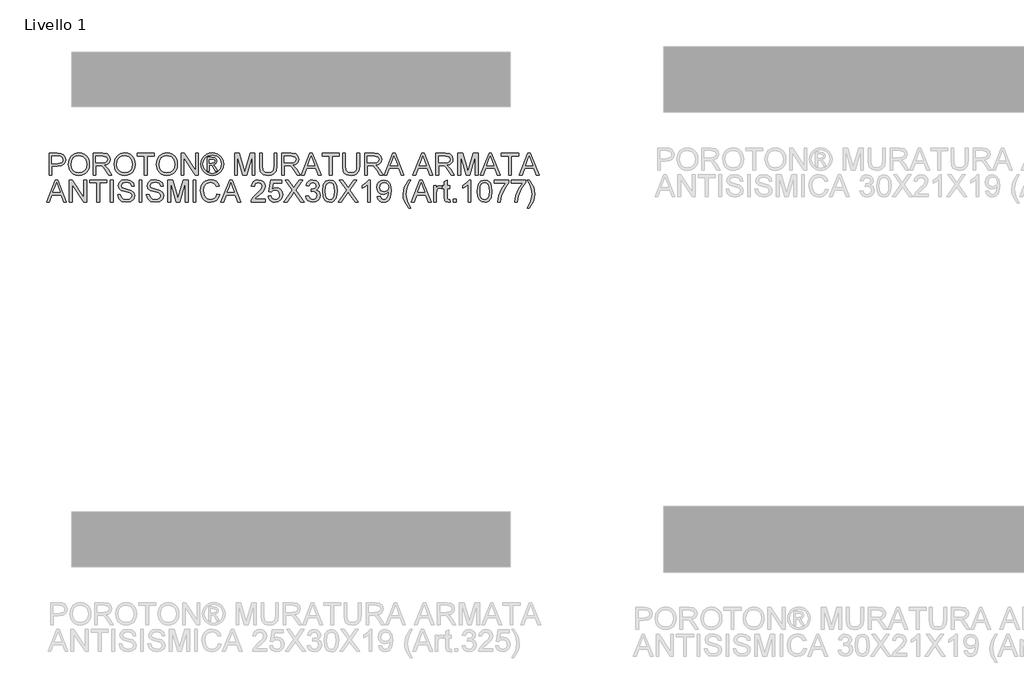
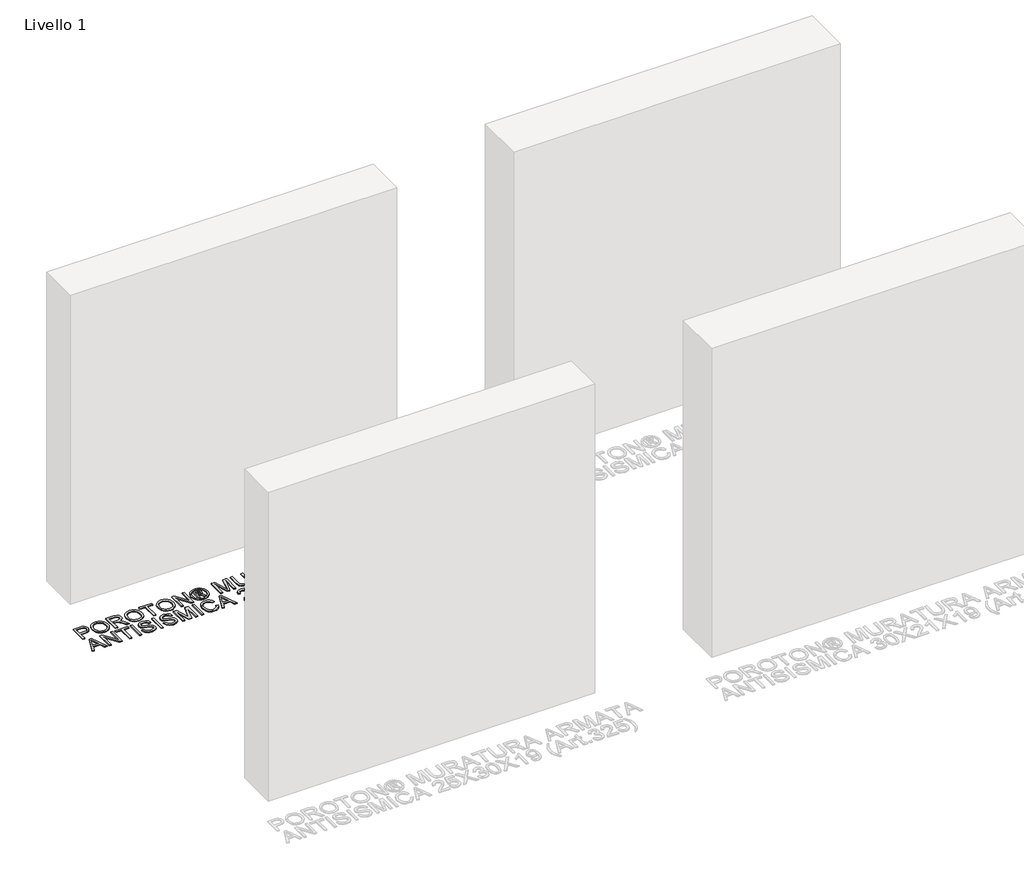
# One storey, part 7 of 8: 1 proxy.
"""IFC4 building model written with IfcOpenShell, lengths in millimetres."""

from ifc_helpers import new_model, si_unit, origin, origin_with_axes, place, context, project, spatial, polyline, outline, extrude, element, save

model = new_model("IFC4")

# Units and contexts
model_context = context("Model", 3, world=origin())
ifc_project = project(units=[si_unit("LENGTHUNIT", "METRE", prefix="MILLI")], contexts=[model_context])

# Site, building, storey
site = spatial("IfcSite", under=ifc_project)
building = spatial("IfcBuilding", under=site)
storey = spatial("IfcBuildingStorey", under=building, Name="Livello 1", Elevation=0.0)

# Proxy
placement = place(None, origin())
element("IfcBuildingElementProxy", 1, Name="100", ObjectType="100", at=placement, inside=storey, context=model_context, shape_type="SweptSolid", body=[
    extrude(outline(polyline([(-7372.1850605, 1154.1316665), (-7372.1850605, 1254.5879766), (-7334.9554026, 1254.5879766), (-7319.9458172, 1253.6314834), (-7307.7443977, 1248.9348566), (-7299.8349348, 1239.222772), (-7296.8428279, 1225.525299), (-7298.8631132, 1213.6856301), (-7304.9239691, 1203.8202613), (-7316.2578002, 1197.1615972), (-7334.0970113, 1194.9420425), (-7359.6280218, 1194.9420425), (-7359.6280218, 1154.1316665), (-7372.1850605, 1154.1316665)]), holes=[polyline([(-7359.6280218, 1207.4990813), (-7333.3612473, 1207.4990813), (-7314.8690457, 1212.1098689), (-7310.7671614, 1217.6587557), (-7309.3998667, 1225.0838406), (-7312.6249655, 1235.4826384), (-7321.0985141, 1241.1725465), (-7333.6555529, 1242.0309379), (-7359.6280218, 1242.0309379), (-7359.6280218, 1207.4990813)])]), origin_with_axes(), (0.0, 0.0, 1.0), 5.0),
    extrude(outline(polyline([(-7284.2857892, 1203.0354464), (-7280.938063, 1225.2493875), (-7270.8948845, 1242.0554633), (-7255.5603367, 1252.6320707), (-7236.3385025, 1256.1576065), (-7223.1621957, 1254.5021375), (-7211.3470522, 1249.5357306), (-7201.5368657, 1241.6078736), (-7194.3754295, 1231.0680544), (-7189.9976338, 1218.4251765), (-7188.5383685, 1204.1881433), (-7190.0742759, 1189.7610377), (-7194.6819979, 1176.9403502), (-7202.1070828, 1166.3821369), (-7212.095079, 1158.7424542), (-7223.8090548, 1154.107141), (-7236.4120789, 1152.5620366), (-7249.7907207, 1154.2696222), (-7261.6733092, 1159.392379), (-7271.4589703, 1167.4673888), (-7278.54683, 1178.0317334), (-7284.2857892, 1203.0354464)]), holes=[polyline([(-7271.7287504, 1202.912819), (-7269.2179558, 1187.1981265), (-7261.6855719, 1175.2235675), (-7250.3640035, 1167.6451984), (-7236.4856553, 1165.1190754), (-7222.4049719, 1167.6697239), (-7211.0650094, 1175.3216694), (-7203.5878078, 1187.6641103), (-7201.0954073, 1204.2862452), (-7205.3628385, 1225.0102642), (-7217.8340381, 1238.7322626), (-7236.2649261, 1243.6005677), (-7249.7723266, 1241.25532), (-7261.2563763, 1234.2195768), (-7269.1106569, 1221.7023919), (-7271.7287504, 1202.912819)])]), origin_with_axes(), (0.0, 0.0, 1.0), 5.0),
    extrude(outline(polyline([(-7171.2724402, 1154.1316665), (-7171.2724402, 1254.5879766), (-7127.9849921, 1254.5879766), (-7107.8863725, 1251.8779126), (-7096.8989635, 1242.2884553), (-7092.7909479, 1227.0949289), (-7094.4924022, 1217.1989032), (-7099.5967648, 1208.9951347), (-7108.2573202, 1202.9802641), (-7120.6273522, 1199.650932), (-7113.4904415, 1194.2798549), (-7103.312373, 1181.3549341), (-7086.5614795, 1154.1316665), (-7101.154132, 1154.1316665), (-7114.2262055, 1174.9537874), (-7123.6685101, 1188.7370995), (-7130.3026487, 1195.2486108), (-7136.2745998, 1197.6398438), (-7143.5586633, 1198.0813022), (-7158.7154015, 1198.0813022), (-7158.7154015, 1154.1316665), (-7171.2724402, 1154.1316665)]), holes=[polyline([(-7158.7154015, 1210.6383409), (-7130.609217, 1210.6383409), (-7116.274082, 1212.4164373), (-7108.1316271, 1218.1063454), (-7105.3479867, 1226.628945), (-7110.6577502, 1237.6899303), (-7127.4454319, 1242.0309379), (-7158.7154015, 1242.0309379), (-7158.7154015, 1210.6383409)])]), origin_with_axes(), (0.0, 0.0, 1.0), 5.0),
    extrude(outline(polyline([(-7075.5250196, 1203.0354464), (-7072.1772935, 1225.2493875), (-7062.134115, 1242.0554633), (-7046.7995672, 1252.6320707), (-7027.5777329, 1256.1576065), (-7014.4014261, 1254.5021375), (-7002.5862827, 1249.5357306), (-6992.7760962, 1241.6078736), (-6985.61466, 1231.0680544), (-6981.2368643, 1218.4251765), (-6979.777599, 1204.1881433), (-6981.3135063, 1189.7610377), (-6985.9212283, 1176.9403502), (-6993.3463133, 1166.3821369), (-7003.3343094, 1158.7424542), (-7015.0482853, 1154.107141), (-7027.6513093, 1152.5620366), (-7041.0299512, 1154.2696222), (-7052.9125397, 1159.392379), (-7062.6982007, 1167.4673888), (-7069.7860605, 1178.0317334), (-7075.5250196, 1203.0354464)]), holes=[polyline([(-7062.9679809, 1202.912819), (-7060.4571862, 1187.1981265), (-7052.9248024, 1175.2235675), (-7041.603234, 1167.6451984), (-7027.7248857, 1165.1190754), (-7013.6442024, 1167.6697239), (-7002.3042399, 1175.3216694), (-6994.8270383, 1187.6641103), (-6992.3346378, 1204.2862452), (-6996.6020689, 1225.0102642), (-7009.0732686, 1238.7322626), (-7027.5041565, 1243.6005677), (-7041.0115571, 1241.25532), (-7052.4956067, 1234.2195768), (-7060.3498873, 1221.7023919), (-7062.9679809, 1202.912819)])]), origin_with_axes(), (0.0, 0.0, 1.0), 5.0),
    extrude(outline(polyline([(-6937.3975932, 1154.1316665), (-6937.3975932, 1242.0309379), (-6970.3598199, 1242.0309379), (-6970.3598199, 1254.5879766), (-6891.8783276, 1254.5879766), (-6891.8783276, 1242.0309379), (-6924.8405544, 1242.0309379), (-6924.8405544, 1154.1316665), (-6937.3975932, 1154.1316665)])), origin_with_axes(), (0.0, 0.0, 1.0), 5.0),
    extrude(outline(polyline([(-6882.4605486, 1203.0354464), (-6879.1128224, 1225.2493875), (-6869.0696439, 1242.0554633), (-6853.7350961, 1252.6320707), (-6834.5132619, 1256.1576065), (-6821.3369551, 1254.5021375), (-6809.5218117, 1249.5357306), (-6799.7116251, 1241.6078736), (-6792.5501889, 1231.0680544), (-6788.1723932, 1218.4251765), (-6786.7131279, 1204.1881433), (-6788.2490353, 1189.7610377), (-6792.8567573, 1176.9403502), (-6800.2818422, 1166.3821369), (-6810.2698384, 1158.7424542), (-6821.9838142, 1154.107141), (-6834.5868383, 1152.5620366), (-6847.9654801, 1154.2696222), (-6859.8480686, 1159.392379), (-6869.6337297, 1167.4673888), (-6876.7215894, 1178.0317334), (-6882.4605486, 1203.0354464)]), holes=[polyline([(-6869.9035098, 1202.912819), (-6867.3927152, 1187.1981265), (-6859.8603313, 1175.2235675), (-6848.5387629, 1167.6451984), (-6834.6604147, 1165.1190754), (-6820.5797313, 1167.6697239), (-6809.2397688, 1175.3216694), (-6801.7625672, 1187.6641103), (-6799.2701667, 1204.2862452), (-6803.5375979, 1225.0102642), (-6816.0087975, 1238.7322626), (-6834.4396855, 1243.6005677), (-6847.947086, 1241.25532), (-6859.4311357, 1234.2195768), (-6867.2854163, 1221.7023919), (-6869.9035098, 1202.912819)])]), origin_with_axes(), (0.0, 0.0, 1.0), 5.0),
    extrude(outline(polyline([(-6769.4471996, 1154.1316665), (-6769.4471996, 1254.5879766), (-6756.0072441, 1254.5879766), (-6703.5227461, 1175.0028383), (-6703.5227461, 1254.5879766), (-6690.9657073, 1254.5879766), (-6690.9657073, 1154.1316665), (-6704.4056629, 1154.1316665), (-6756.8901609, 1233.7413302), (-6756.8901609, 1154.1316665), (-6769.4471996, 1154.1316665)])), origin_with_axes(), (0.0, 0.0, 1.0), 5.0),
    extrude(outline(polyline([(-6628.155988, 1256.1576065), (-6615.2617241, 1254.4837434), (-6602.6740285, 1249.4621542), (-6591.6161089, 1241.3258307), (-6583.3111728, 1230.307765), (-6578.1148396, 1217.5851793), (-6576.3827286, 1204.3352961), (-6578.0903142, 1191.2019089), (-6583.213071, 1178.5835564), (-6591.4168394, 1167.6053446), (-6602.3674602, 1159.392379), (-6614.9766156, 1154.2696222), (-6628.155988, 1152.5620366), (-6641.3169664, 1154.2696222), (-6653.9199904, 1159.392379), (-6664.8798082, 1167.6053446), (-6673.1111678, 1178.5835564), (-6678.2615158, 1191.2019089), (-6679.9782984, 1204.3352961), (-6678.2369903, 1217.5851793), (-6673.013066, 1230.307765), (-6664.6805388, 1241.3258307), (-6653.6134221, 1249.4621542), (-6641.0318579, 1254.4837434), (-6628.155988, 1256.1576065)]), holes=[polyline([(-6628.155988, 1246.7398274), (-6648.978109, 1241.2583857), (-6658.0065463, 1234.5966559), (-6664.8338229, 1225.5743499), (-6670.5605193, 1204.3352961), (-6664.9441875, 1183.2801832), (-6649.2233636, 1167.5961475), (-6628.155988, 1161.9798157), (-6607.0763497, 1167.5961475), (-6591.392314, 1183.2801832), (-6585.8005077, 1204.3352961), (-6591.4904158, 1225.5743499), (-6598.2992984, 1234.5966559), (-6607.3461298, 1241.2583857), (-6628.155988, 1246.7398274)])]), origin_with_axes(), (0.0, 0.0, 1.0), 5.0),
    extrude(outline(polyline([(-6651.7249612, 1172.9672246), (-6651.7249612, 1235.7524185), (-6631.4424005, 1235.7524185), (-6616.3837642, 1234.0233731), (-6608.9648106, 1227.9901084), (-6606.2056956, 1218.8298467), (-6610.9636361, 1206.9104701), (-6623.5697258, 1201.2205619), (-6618.6646326, 1197.8850984), (-6610.1052448, 1185.3525851), (-6603.066436, 1172.9672246), (-6613.6614374, 1172.9672246), (-6619.1796673, 1182.924564), (-6628.4257682, 1197.3455382), (-6636.4455957, 1199.650932), (-6642.3071821, 1199.650932), (-6642.3071821, 1172.9672246), (-6651.7249612, 1172.9672246)]), holes=[polyline([(-6642.3071821, 1209.0687111), (-6630.3878055, 1209.0687111), (-6618.738209, 1211.4599441), (-6615.6234747, 1217.7997771), (-6617.1195282, 1222.3615139), (-6621.2765947, 1225.3536208), (-6631.1480949, 1226.3346394), (-6642.3071821, 1226.3346394), (-6642.3071821, 1209.0687111)])]), origin_with_axes(), (0.0, 0.0, 1.0), 5.0),
    extrude(outline(polyline([(-6526.1545735, 1154.1316665), (-6526.1545735, 1254.5879766), (-6504.5476376, 1254.5879766), (-6483.9952969, 1183.7829553), (-6479.850493, 1168.9940991), (-6475.3623327, 1185.0092286), (-6455.1533484, 1254.5879766), (-6433.5464126, 1254.5879766), (-6433.5464126, 1154.1316665), (-6446.1034513, 1154.1316665), (-6446.1034513, 1242.0309379), (-6471.3401562, 1154.1316665), (-6488.3608299, 1154.1316665), (-6513.5975347, 1242.0309379), (-6513.5975347, 1154.1316665), (-6526.1545735, 1154.1316665)])), origin_with_axes(), (0.0, 0.0, 1.0), 5.0),
    extrude(outline(polyline([(-6345.6471412, 1254.5879766), (-6333.0901024, 1254.5879766), (-6333.0901024, 1196.6342997), (-6336.4991423, 1172.6116054), (-6348.7864009, 1158.1415802), (-6359.0503086, 1153.9569225), (-6372.0855939, 1152.5620366), (-6395.0291677, 1157.418079), (-6402.6688505, 1163.3624389), (-6407.7578847, 1171.4834339), (-6411.5715947, 1196.6342997), (-6411.5715947, 1254.5879766), (-6399.014556, 1254.5879766), (-6399.014556, 1197.0757581), (-6396.5374839, 1177.9336316), (-6388.027147, 1168.4545388), (-6373.2628163, 1165.1190754), (-6360.4911797, 1166.768413), (-6351.999237, 1171.7164259), (-6347.2351651, 1181.3549341), (-6345.6471412, 1197.0757581), (-6345.6471412, 1254.5879766)])), origin_with_axes(), (0.0, 0.0, 1.0), 5.0),
    extrude(outline(polyline([(-6311.1152846, 1154.1316665), (-6311.1152846, 1254.5879766), (-6267.8278365, 1254.5879766), (-6247.7292168, 1251.8779126), (-6236.7418079, 1242.2884553), (-6232.6337923, 1227.0949289), (-6234.3352465, 1217.1989032), (-6239.4396092, 1208.9951347), (-6248.1001645, 1202.9802641), (-6260.4701966, 1199.650932), (-6253.3332859, 1194.2798549), (-6243.1552173, 1181.3549341), (-6226.4043238, 1154.1316665), (-6240.9969763, 1154.1316665), (-6254.0690499, 1174.9537874), (-6263.5113544, 1188.7370995), (-6270.1454931, 1195.2486108), (-6276.1174441, 1197.6398438), (-6283.4015076, 1198.0813022), (-6298.5582458, 1198.0813022), (-6298.5582458, 1154.1316665), (-6311.1152846, 1154.1316665)]), holes=[polyline([(-6298.5582458, 1210.6383409), (-6270.4520614, 1210.6383409), (-6256.1169263, 1212.4164373), (-6247.9744715, 1218.1063454), (-6245.190831, 1226.628945), (-6250.5005945, 1237.6899303), (-6267.2882762, 1242.0309379), (-6298.5582458, 1242.0309379), (-6298.5582458, 1210.6383409)])]), origin_with_axes(), (0.0, 0.0, 1.0), 5.0),
    extrude(outline(polyline([(-6222.3576219, 1154.1316665), (-6182.2584844, 1254.5879766), (-6171.5653811, 1254.5879766), (-6131.4662436, 1154.1316665), (-6144.7345209, 1154.1316665), (-6156.2369646, 1185.5242634), (-6197.6114263, 1185.5242634), (-6209.0893446, 1154.1316665), (-6222.3576219, 1154.1316665)]), holes=[polyline([(-6193.0006387, 1198.0813022), (-6160.8232268, 1198.0813022), (-6169.8731239, 1222.7784468), (-6176.9119327, 1242.0309379), (-6183.1659267, 1224.9366878), (-6193.0006387, 1198.0813022)])]), origin_with_axes(), (0.0, 0.0, 1.0), 5.0),
    extrude(outline(polyline([(-6092.936736, 1154.1316665), (-6092.936736, 1242.0309379), (-6125.8989627, 1242.0309379), (-6125.8989627, 1254.5879766), (-6047.4174704, 1254.5879766), (-6047.4174704, 1242.0309379), (-6080.3796972, 1242.0309379), (-6080.3796972, 1154.1316665), (-6092.936736, 1154.1316665)])), origin_with_axes(), (0.0, 0.0, 1.0), 5.0),
    extrude(outline(polyline([(-5967.3663483, 1254.5879766), (-5954.8093095, 1254.5879766), (-5954.8093095, 1196.6342997), (-5958.2183493, 1172.6116054), (-5970.505608, 1158.1415802), (-5980.7695156, 1153.9569225), (-5993.804801, 1152.5620366), (-6016.7483748, 1157.418079), (-6024.3880575, 1163.3624389), (-6029.4770918, 1171.4834339), (-6033.2908018, 1196.6342997), (-6033.2908018, 1254.5879766), (-6020.7337631, 1254.5879766), (-6020.7337631, 1197.0757581), (-6018.256691, 1177.9336316), (-6009.7463541, 1168.4545388), (-5994.9820234, 1165.1190754), (-5982.2103868, 1166.768413), (-5973.7184441, 1171.7164259), (-5968.9543722, 1181.3549341), (-5967.3663483, 1197.0757581), (-5967.3663483, 1254.5879766)])), origin_with_axes(), (0.0, 0.0, 1.0), 5.0),
    extrude(outline(polyline([(-5932.8344917, 1154.1316665), (-5932.8344917, 1254.5879766), (-5889.5470436, 1254.5879766), (-5869.4484239, 1251.8779126), (-5858.461015, 1242.2884553), (-5854.3529994, 1227.0949289), (-5856.0544536, 1217.1989032), (-5861.1588163, 1208.9951347), (-5869.8193716, 1202.9802641), (-5882.1894037, 1199.650932), (-5875.052493, 1194.2798549), (-5864.8744244, 1181.3549341), (-5848.1235309, 1154.1316665), (-5862.7161834, 1154.1316665), (-5875.788257, 1174.9537874), (-5885.2305615, 1188.7370995), (-5891.8647001, 1195.2486108), (-5897.8366512, 1197.6398438), (-5905.1207147, 1198.0813022), (-5920.2774529, 1198.0813022), (-5920.2774529, 1154.1316665), (-5932.8344917, 1154.1316665)]), holes=[polyline([(-5920.2774529, 1210.6383409), (-5892.1712685, 1210.6383409), (-5877.8361334, 1212.4164373), (-5869.6936786, 1218.1063454), (-5866.9100381, 1226.628945), (-5872.2198016, 1237.6899303), (-5889.0074833, 1242.0309379), (-5920.2774529, 1242.0309379), (-5920.2774529, 1210.6383409)])]), origin_with_axes(), (0.0, 0.0, 1.0), 5.0),
    extrude(outline(polyline([(-5844.076829, 1154.1316665), (-5803.9776915, 1254.5879766), (-5793.2845882, 1254.5879766), (-5753.1854507, 1154.1316665), (-5766.453728, 1154.1316665), (-5777.9561717, 1185.5242634), (-5819.3306334, 1185.5242634), (-5830.8085517, 1154.1316665), (-5844.076829, 1154.1316665)]), holes=[polyline([(-5814.7198458, 1198.0813022), (-5782.5424339, 1198.0813022), (-5791.592331, 1222.7784468), (-5798.6311398, 1242.0309379), (-5804.8851338, 1224.9366878), (-5814.7198458, 1198.0813022)])]), origin_with_axes(), (0.0, 0.0, 1.0), 5.0),
    extrude(outline(polyline([(-5712.2279219, 1154.1316665), (-5672.1287844, 1254.5879766), (-5661.4356811, 1254.5879766), (-5621.3365436, 1154.1316665), (-5634.6048209, 1154.1316665), (-5646.1072646, 1185.5242634), (-5687.4817264, 1185.5242634), (-5698.9596446, 1154.1316665), (-5712.2279219, 1154.1316665)]), holes=[polyline([(-5682.8709387, 1198.0813022), (-5650.6935268, 1198.0813022), (-5659.7434239, 1222.7784468), (-5666.7822328, 1242.0309379), (-5673.0362267, 1224.9366878), (-5682.8709387, 1198.0813022)])]), origin_with_axes(), (0.0, 0.0, 1.0), 5.0),
    extrude(outline(polyline([(-5607.9211135, 1154.1316665), (-5607.9211135, 1254.5879766), (-5564.6336654, 1254.5879766), (-5544.5350458, 1251.8779126), (-5533.5476368, 1242.2884553), (-5529.4396212, 1227.0949289), (-5531.1410755, 1217.1989032), (-5536.2454381, 1208.9951347), (-5544.9059934, 1202.9802641), (-5557.2760255, 1199.650932), (-5550.1391148, 1194.2798549), (-5539.9610463, 1181.3549341), (-5523.2101528, 1154.1316665), (-5537.8028053, 1154.1316665), (-5550.8748788, 1174.9537874), (-5560.3171834, 1188.7370995), (-5566.951322, 1195.2486108), (-5572.9232731, 1197.6398438), (-5580.2073366, 1198.0813022), (-5595.3640748, 1198.0813022), (-5595.3640748, 1154.1316665), (-5607.9211135, 1154.1316665)]), holes=[polyline([(-5595.3640748, 1210.6383409), (-5567.2578903, 1210.6383409), (-5552.9227553, 1212.4164373), (-5544.7803004, 1218.1063454), (-5541.99666, 1226.628945), (-5547.3064235, 1237.6899303), (-5564.0941052, 1242.0309379), (-5595.3640748, 1242.0309379), (-5595.3640748, 1210.6383409)])]), origin_with_axes(), (0.0, 0.0, 1.0), 5.0),
    extrude(outline(polyline([(-5507.4648034, 1154.1316665), (-5507.4648034, 1254.5879766), (-5485.8578675, 1254.5879766), (-5465.3055267, 1183.7829553), (-5461.1607229, 1168.9940991), (-5456.6725626, 1185.0092286), (-5436.4635783, 1254.5879766), (-5414.8566425, 1254.5879766), (-5414.8566425, 1154.1316665), (-5427.4136812, 1154.1316665), (-5427.4136812, 1242.0309379), (-5452.6503861, 1154.1316665), (-5469.6710598, 1154.1316665), (-5494.9077646, 1242.0309379), (-5494.9077646, 1154.1316665), (-5507.4648034, 1154.1316665)])), origin_with_axes(), (0.0, 0.0, 1.0), 5.0),
    extrude(outline(polyline([(-5404.5804721, 1154.1316665), (-5364.4813346, 1254.5879766), (-5353.7882313, 1254.5879766), (-5313.6890938, 1154.1316665), (-5326.9573711, 1154.1316665), (-5338.4598148, 1185.5242634), (-5379.8342765, 1185.5242634), (-5391.3121948, 1154.1316665), (-5404.5804721, 1154.1316665)]), holes=[polyline([(-5375.2234889, 1198.0813022), (-5343.046077, 1198.0813022), (-5352.0959741, 1222.7784468), (-5359.1347829, 1242.0309379), (-5365.3887769, 1224.9366878), (-5375.2234889, 1198.0813022)])]), origin_with_axes(), (0.0, 0.0, 1.0), 5.0),
    extrude(outline(polyline([(-5275.1595862, 1154.1316665), (-5275.1595862, 1242.0309379), (-5308.1218129, 1242.0309379), (-5308.1218129, 1254.5879766), (-5229.6403206, 1254.5879766), (-5229.6403206, 1242.0309379), (-5262.6025474, 1242.0309379), (-5262.6025474, 1154.1316665), (-5275.1595862, 1154.1316665)])), origin_with_axes(), (0.0, 0.0, 1.0), 5.0),
    extrude(outline(polyline([(-5227.2122995, 1154.1316665), (-5187.113162, 1254.5879766), (-5176.4200587, 1254.5879766), (-5136.3209212, 1154.1316665), (-5149.5891985, 1154.1316665), (-5161.0916422, 1185.5242634), (-5202.4661039, 1185.5242634), (-5213.9440222, 1154.1316665), (-5227.2122995, 1154.1316665)]), holes=[polyline([(-5197.8553162, 1198.0813022), (-5165.6779044, 1198.0813022), (-5174.7278015, 1222.7784468), (-5181.7666103, 1242.0309379), (-5188.0206042, 1224.9366878), (-5197.8553162, 1198.0813022)])]), origin_with_axes(), (0.0, 0.0, 1.0), 5.0),
    extrude(outline(polyline([(-7383.883708, 1032.1568486), (-7343.7845705, 1132.6131588), (-7333.0914672, 1132.6131588), (-7292.9923297, 1032.1568486), (-7306.260607, 1032.1568486), (-7317.7630507, 1063.5494456), (-7359.1375124, 1063.5494456), (-7370.6154307, 1032.1568486), (-7383.883708, 1032.1568486)]), holes=[polyline([(-7354.5267248, 1076.1064843), (-7322.3493129, 1076.1064843), (-7331.39921, 1100.8036289), (-7338.4380188, 1120.05612), (-7344.6920128, 1102.96187), (-7354.5267248, 1076.1064843)])]), origin_with_axes(), (0.0, 0.0, 1.0), 5.0),
    extrude(outline(polyline([(-7279.5768996, 1032.1568486), (-7279.5768996, 1132.6131588), (-7266.1369441, 1132.6131588), (-7213.6524461, 1053.0280205), (-7213.6524461, 1132.6131588), (-7201.0954073, 1132.6131588), (-7201.0954073, 1032.1568486), (-7214.5353629, 1032.1568486), (-7267.0198609, 1111.7665124), (-7267.0198609, 1032.1568486), (-7279.5768996, 1032.1568486)])), origin_with_axes(), (0.0, 0.0, 1.0), 5.0),
    extrude(outline(polyline([(-7154.0065119, 1032.1568486), (-7154.0065119, 1120.05612), (-7186.9687387, 1120.05612), (-7186.9687387, 1132.6131588), (-7108.4872464, 1132.6131588), (-7108.4872464, 1120.05612), (-7141.4494732, 1120.05612), (-7141.4494732, 1032.1568486), (-7154.0065119, 1032.1568486)])), origin_with_axes(), (0.0, 0.0, 1.0), 5.0),
    extrude(outline(polyline([(-7092.7909479, 1032.1568486), (-7092.7909479, 1132.6131588), (-7080.2339092, 1132.6131588), (-7080.2339092, 1032.1568486), (-7092.7909479, 1032.1568486)])), origin_with_axes(), (0.0, 0.0, 1.0), 5.0),
    extrude(outline(polyline([(-7059.8287212, 1066.6887053), (-7047.2716824, 1066.6887053), (-7043.2249805, 1054.1194038), (-7033.3412175, 1046.1731527), (-7018.2825812, 1043.1442576), (-7005.1614567, 1045.4373887), (-6996.6879081, 1051.7404335), (-6993.9042676, 1060.1649312), (-6995.9889323, 1068.0008177), (-7004.5237946, 1073.7029886), (-7022.8075297, 1078.4977173), (-7042.4892165, 1084.6903976), (-7053.1700571, 1094.0346002), (-7056.6894615, 1106.5180626), (-7052.3361912, 1120.7305703), (-7039.6197369, 1130.7614861), (-7021.0049079, 1134.1827886), (-7001.1392802, 1130.6020705), (-6987.8955284, 1120.0806455), (-6982.9168587, 1104.3598216), (-6995.4738975, 1104.3598216), (-6997.7792913, 1111.8523515), (-7002.5862827, 1117.2602169), (-7020.5143986, 1121.6257499), (-7038.4915654, 1117.3092678), (-7044.1324227, 1106.8859446), (-7040.1347717, 1098.179404), (-7019.6314818, 1091.1651207), (-6997.4114093, 1084.8620758), (-6985.2590407, 1074.6840073), (-6981.3472289, 1060.4837623), (-6985.8476519, 1045.4619141), (-6998.7970982, 1034.4990307), (-7017.7920719, 1030.5872188), (-7040.2206108, 1034.805599), (-7054.4085931, 1047.5097906), (-7059.8287212, 1066.6887053)])), origin_with_axes(), (0.0, 0.0, 1.0), 5.0),
    extrude(outline(polyline([(-6960.9420409, 1032.1568486), (-6960.9420409, 1132.6131588), (-6948.3850021, 1132.6131588), (-6948.3850021, 1032.1568486), (-6960.9420409, 1032.1568486)])), origin_with_axes(), (0.0, 0.0, 1.0), 5.0),
    extrude(outline(polyline([(-6927.9798141, 1066.6887053), (-6915.4227753, 1066.6887053), (-6911.3760734, 1054.1194038), (-6901.4923104, 1046.1731527), (-6886.4336741, 1043.1442576), (-6873.3125496, 1045.4373887), (-6864.839001, 1051.7404335), (-6862.0553606, 1060.1649312), (-6864.1400252, 1068.0008177), (-6872.6748875, 1073.7029886), (-6890.9586226, 1078.4977173), (-6910.6403094, 1084.6903976), (-6921.32115, 1094.0346002), (-6924.8405544, 1106.5180626), (-6920.4872841, 1120.7305703), (-6907.7708298, 1130.7614861), (-6889.1560009, 1134.1827886), (-6869.2903731, 1130.6020705), (-6856.0466213, 1120.0806455), (-6851.0679516, 1104.3598216), (-6863.6249904, 1104.3598216), (-6865.9303842, 1111.8523515), (-6870.7373756, 1117.2602169), (-6888.6654915, 1121.6257499), (-6906.6426584, 1117.3092678), (-6912.2835156, 1106.8859446), (-6908.2858646, 1098.179404), (-6887.7825748, 1091.1651207), (-6865.5625022, 1084.8620758), (-6853.4101337, 1074.6840073), (-6849.4983218, 1060.4837623), (-6853.9987449, 1045.4619141), (-6866.9481911, 1034.4990307), (-6885.9431648, 1030.5872188), (-6908.3717038, 1034.805599), (-6922.559686, 1047.5097906), (-6927.9798141, 1066.6887053)])), origin_with_axes(), (0.0, 0.0, 1.0), 5.0),
    extrude(outline(polyline([(-6830.6627636, 1032.1568486), (-6830.6627636, 1132.6131588), (-6809.0558278, 1132.6131588), (-6788.503487, 1061.8081375), (-6784.3586832, 1047.0192812), (-6779.8705228, 1063.0344108), (-6759.6615386, 1132.6131588), (-6738.0546027, 1132.6131588), (-6738.0546027, 1032.1568486), (-6750.6116415, 1032.1568486), (-6750.6116415, 1120.05612), (-6775.8483464, 1032.1568486), (-6792.86902, 1032.1568486), (-6818.1057249, 1120.05612), (-6818.1057249, 1032.1568486), (-6830.6627636, 1032.1568486)])), origin_with_axes(), (0.0, 0.0, 1.0), 5.0),
    extrude(outline(polyline([(-6714.510155, 1032.1568486), (-6714.510155, 1132.6131588), (-6701.9531163, 1132.6131588), (-6701.9531163, 1032.1568486), (-6714.510155, 1032.1568486)])), origin_with_axes(), (0.0, 0.0, 1.0), 5.0),
    extrude(outline(polyline([(-6606.2056956, 1067.8659276), (-6593.6486569, 1064.6285661), (-6599.4427983, 1049.9960597), (-6608.535615, 1039.3060221), (-6620.4795171, 1032.7669196), (-6634.8269149, 1030.5872188), (-6649.3919762, 1032.2365564), (-6660.9587993, 1037.1845692), (-6669.8247553, 1045.259579), (-6676.2872157, 1056.2899075), (-6681.5479283, 1083.1452932), (-6680.0610719, 1097.7931279), (-6675.6005027, 1110.4421372), (-6668.3992126, 1120.6907165), (-6658.6901936, 1128.1372612), (-6647.1754872, 1132.6714068), (-6634.5571347, 1134.1827886), (-6620.7891511, 1132.2268827), (-6609.406269, 1126.3591649), (-6600.7641078, 1116.9413858), (-6595.2182867, 1104.3352961), (-6607.7753255, 1101.3431892), (-6618.0760214, 1116.7819703), (-6635.0476441, 1121.6257499), (-6654.6925426, 1116.2546727), (-6665.7903161, 1101.8336985), (-6668.9908895, 1083.1698186), (-6665.2017049, 1061.5383573), (-6653.4049556, 1047.718257), (-6636.0777137, 1043.1442576), (-6625.5961425, 1044.7016247), (-6616.8620108, 1049.373726), (-6610.267726, 1057.1115106), (-6606.2056956, 1067.8659276)])), origin_with_axes(), (0.0, 0.0, 1.0), 5.0),
    extrude(outline(polyline([(-6588.081376, 1032.1568486), (-6547.9822385, 1132.6131588), (-6537.2891352, 1132.6131588), (-6497.1899977, 1032.1568486), (-6510.458275, 1032.1568486), (-6521.9607188, 1063.5494456), (-6563.3351805, 1063.5494456), (-6574.8130987, 1032.1568486), (-6588.081376, 1032.1568486)]), holes=[polyline([(-6558.7243928, 1076.1064843), (-6526.546981, 1076.1064843), (-6535.596878, 1100.8036289), (-6542.6356869, 1120.05612), (-6548.8896808, 1102.96187), (-6558.7243928, 1076.1064843)])]), origin_with_axes(), (0.0, 0.0, 1.0), 5.0),
    extrude(outline(polyline([(-6384.8878874, 1044.7138874), (-6384.8878874, 1032.1568486), (-6450.8123409, 1032.1568486), (-6449.4634402, 1040.8143383), (-6441.8360202, 1054.1439292), (-6426.1151963, 1068.6997935), (-6404.434684, 1089.6200163), (-6399.014556, 1103.8447868), (-6404.1281157, 1115.3594932), (-6417.4822321, 1120.05612), (-6431.4004343, 1115.4698578), (-6436.6856723, 1102.7901917), (-6449.242711, 1104.3598216), (-6446.1984875, 1116.5060588), (-6439.6164655, 1125.3781462), (-6429.8400015, 1130.8044056), (-6417.212452, 1132.6131588), (-6404.492932, 1130.6020705), (-6394.7348621, 1124.5688058), (-6388.5268534, 1115.5556969), (-6386.4575172, 1104.6050762), (-6388.6893346, 1092.6979623), (-6396.1082882, 1080.3861782), (-6414.0977178, 1063.1815636), (-6428.5432174, 1051.1027714), (-6434.2086002, 1044.7138874), (-6384.8878874, 1044.7138874)])), origin_with_axes(), (0.0, 0.0, 1.0), 5.0),
    extrude(outline(polyline([(-6372.3308486, 1058.840556), (-6359.7738098, 1060.4101859), (-6353.4462395, 1047.4730024), (-6340.325115, 1043.1442576), (-6331.3242689, 1044.6495081), (-6324.5797656, 1049.1652595), (-6320.3675168, 1056.1703459), (-6318.9634338, 1065.1436009), (-6324.2241463, 1080.0550844), (-6330.8306938, 1084.1569687), (-6340.1289113, 1085.5242634), (-6351.1531084, 1083.3414969), (-6358.20418, 1077.6761142), (-6370.7612187, 1079.245744), (-6359.7738098, 1131.0435289), (-6311.1152846, 1131.0435289), (-6311.1152846, 1118.4864902), (-6349.6202667, 1118.4864902), (-6354.9913439, 1090.8217641), (-6346.0211546, 1096.2664177), (-6336.6217696, 1098.0813022), (-6324.8893996, 1095.8310906), (-6315.1497238, 1089.080456), (-6308.5922272, 1078.7920229), (-6306.406395, 1065.9284158), (-6308.3745637, 1053.371377), (-6314.2790697, 1042.6292228), (-6325.5853097, 1033.5977198), (-6340.3741659, 1030.5872188), (-6352.7074098, 1032.521665), (-6362.5329248, 1038.3250034), (-6369.268231, 1047.3227839), (-6372.3308486, 1058.840556)])), origin_with_axes(), (0.0, 0.0, 1.0), 5.0),
    extrude(outline(polyline([(-6301.6975055, 1032.1568486), (-6262.9717941, 1086.8976895), (-6295.4189861, 1132.6131588), (-6280.3603498, 1132.6131588), (-6262.0888774, 1106.8859446), (-6255.9329853, 1096.8550289), (-6248.7224982, 1107.0576229), (-6230.6472295, 1132.6131588), (-6215.367864, 1132.6131588), (-6247.8150559, 1086.7505367), (-6209.0893446, 1032.1568486), (-6224.1479809, 1032.1568486), (-6249.9487715, 1068.5526407), (-6255.3198486, 1076.1064843), (-6261.230486, 1067.8168767), (-6286.41814, 1032.1568486), (-6301.6975055, 1032.1568486)])), origin_with_axes(), (0.0, 0.0, 1.0), 5.0),
    extrude(outline(polyline([(-6201.2411954, 1058.840556), (-6188.6841566, 1060.4101859), (-6181.7557123, 1047.1909595), (-6168.7940034, 1043.1442576), (-6160.1855647, 1044.5360778), (-6153.5391633, 1048.7115384), (-6147.8737806, 1062.4948505), (-6153.4901124, 1075.4810849), (-6167.7639338, 1080.6191701), (-6176.5685762, 1079.245744), (-6175.1706246, 1091.8027828), (-6173.1595364, 1091.65563), (-6158.9102404, 1095.2608735), (-6154.1645627, 1099.834873), (-6152.5826701, 1106.3463843), (-6157.1689323, 1116.1688336), (-6168.9902071, 1120.05612), (-6180.9586347, 1116.1320454), (-6187.1145267, 1104.3598216), (-6199.6715655, 1105.9294514), (-6195.9743515, 1117.2050346), (-6189.3953951, 1125.6234009), (-6180.394549, 1130.8657193), (-6169.4316655, 1132.6131588), (-6154.28719, 1129.1673308), (-6143.6921886, 1119.7495517), (-6140.0256314, 1107.0821483), (-6143.5082476, 1095.5061282), (-6153.8089434, 1087.1919951), (-6140.1237332, 1078.6080819), (-6135.3167418, 1062.2741213), (-6137.7202375, 1050.0359136), (-6144.9307246, 1039.8087941), (-6155.8139003, 1032.8926126), (-6169.2354618, 1030.5872188), (-6181.3755676, 1032.5553875), (-6191.2593306, 1038.4598935), (-6198.1325925, 1047.4913965), (-6201.2411954, 1058.840556)])), origin_with_axes(), (0.0, 0.0, 1.0), 5.0),
    extrude(outline(polyline([(-6124.3293329, 1081.5756633), (-6120.6382502, 1110.4789254), (-6109.6753668, 1127.1439798), (-6091.3671061, 1132.6131588), (-6076.7008773, 1129.3757972), (-6066.5718597, 1120.0438573), (-6060.6857477, 1105.1814247), (-6058.4048794, 1081.5756633), (-6062.0591739, 1052.7950286), (-6072.9852691, 1036.093186), (-6081.2166287, 1031.9637106), (-6091.3671061, 1030.5872188), (-6104.4146542, 1032.9784518), (-6114.3229426, 1040.1521507), (-6121.8277353, 1057.1421675), (-6124.3293329, 1081.5756633)]), holes=[polyline([(-6111.7722941, 1081.6001888), (-6110.3007662, 1061.8479913), (-6105.8861822, 1050.4160583), (-6099.3133572, 1044.9622078), (-6091.3671061, 1043.1442576), (-6083.420855, 1044.9683391), (-6076.8480301, 1050.4405838), (-6072.4334461, 1061.8786482), (-6070.9619181, 1081.6001888), (-6072.3843952, 1100.9078622), (-6076.6518263, 1112.4287), (-6083.2123886, 1118.149265), (-6091.5142589, 1120.05612), (-6099.3746709, 1118.3761256), (-6105.6899785, 1113.3361422), (-6110.2517152, 1101.0979345), (-6111.7722941, 1081.6001888)])]), origin_with_axes(), (0.0, 0.0, 1.0), 5.0),
    extrude(outline(polyline([(-6053.6959898, 1032.1568486), (-6014.9702785, 1086.8976895), (-6047.4174704, 1132.6131588), (-6032.3588341, 1132.6131588), (-6014.0873617, 1106.8859446), (-6007.9314696, 1096.8550289), (-6000.7209825, 1107.0576229), (-5982.6457138, 1132.6131588), (-5967.3663483, 1132.6131588), (-5999.8135403, 1086.7505367), (-5961.0878289, 1032.1568486), (-5976.1464652, 1032.1568486), (-6001.9472558, 1068.5526407), (-6007.318333, 1076.1064843), (-6013.2289704, 1067.8168767), (-6038.4166243, 1032.1568486), (-6053.6959898, 1032.1568486)])), origin_with_axes(), (0.0, 0.0, 1.0), 5.0),
    extrude(outline(polyline([(-5906.1507843, 1032.1568486), (-5918.7078231, 1032.1568486), (-5918.7078231, 1110.4421372), (-5930.6026742, 1101.9685886), (-5943.8219006, 1095.6287555), (-5943.8219006, 1107.4990813), (-5925.4155381, 1119.2467796), (-5914.2441882, 1132.6131588), (-5906.1507843, 1132.6131588), (-5906.1507843, 1032.1568486)])), origin_with_axes(), (0.0, 0.0, 1.0), 5.0),
    extrude(outline(polyline([(-5874.7581874, 1057.2709262), (-5862.2011486, 1058.840556), (-5856.5602913, 1046.8598657), (-5845.867188, 1043.1442576), (-5835.7013822, 1045.5354905), (-5828.8097262, 1051.9243745), (-5824.7017106, 1062.838207), (-5822.8868261, 1077.406334), (-5822.9604025, 1079.8588807), (-5833.0035809, 1070.3429997), (-5846.7746303, 1066.6887053), (-5858.2249574, 1068.9205227), (-5867.7561667, 1075.615975), (-5874.1849046, 1085.9595904), (-5876.3278172, 1099.1358972), (-5874.0806714, 1112.747531), (-5867.3392338, 1123.4161089), (-5857.2132819, 1130.3138963), (-5844.812593, 1132.6131588), (-5826.9212653, 1127.364709), (-5814.6094812, 1112.4041745), (-5810.4033637, 1084.2979901), (-5814.5972184, 1053.8005727), (-5819.8119457, 1043.8095108), (-5827.0684181, 1036.5223816), (-5836.0539358, 1032.0710095), (-5846.4557992, 1030.5872188), (-5857.1918221, 1032.337724), (-5865.7573412, 1037.5892394), (-5871.7476864, 1046.0106714), (-5874.7581874, 1057.2709262)]), holes=[polyline([(-5822.9604025, 1099.4302028), (-5824.3154345, 1107.9405396), (-5828.3805305, 1114.4888392), (-5834.6897067, 1118.6642998), (-5842.7769793, 1120.05612), (-5851.1646887, 1118.5570009), (-5857.8846665, 1114.0596435), (-5862.2992505, 1107.1771845), (-5863.7707785, 1098.5227606), (-5862.3789582, 1090.7635162), (-5858.2034976, 1084.6045584), (-5851.6490667, 1080.5854476), (-5843.1203358, 1079.245744), (-5828.6380479, 1084.6045584), (-5824.3798138, 1090.9903767), (-5822.9604025, 1099.4302028)])]), origin_with_axes(), (0.0, 0.0, 1.0), 5.0),
    extrude(outline(polyline([(-5731.9218714, 1003.9035114), (-5749.7518854, 1033.3585965), (-5755.214933, 1050.5386857), (-5757.0359489, 1068.3319115), (-5751.5912954, 1098.8661171), (-5731.9218714, 1132.6131588), (-5722.5040923, 1132.6131588), (-5734.2517907, 1112.7230056), (-5741.315125, 1093.445989), (-5744.4789101, 1068.2583351), (-5738.9852057, 1036.0686605), (-5722.5040923, 1003.9035114), (-5731.9218714, 1003.9035114)])), origin_with_axes(), (0.0, 0.0, 1.0), 5.0),
    extrude(outline(polyline([(-5720.0760711, 1032.1568486), (-5679.9769337, 1132.6131588), (-5669.2838303, 1132.6131588), (-5629.1846929, 1032.1568486), (-5642.4529702, 1032.1568486), (-5653.9554139, 1063.5494456), (-5695.3298756, 1063.5494456), (-5706.8077938, 1032.1568486), (-5720.0760711, 1032.1568486)]), holes=[polyline([(-5690.7190879, 1076.1064843), (-5658.5416761, 1076.1064843), (-5667.5915732, 1100.8036289), (-5674.630382, 1120.05612), (-5680.8843759, 1102.96187), (-5690.7190879, 1076.1064843)])]), origin_with_axes(), (0.0, 0.0, 1.0), 5.0),
    extrude(outline(polyline([(-5617.3388926, 1032.1568486), (-5617.3388926, 1105.9294514), (-5606.3514837, 1105.9294514), (-5606.3514837, 1095.0156189), (-5598.5523854, 1105.0710601), (-5590.7042362, 1107.4990813), (-5578.0981465, 1103.6240576), (-5582.2920012, 1092.3668685), (-5591.1211691, 1094.9420425), (-5598.2212916, 1092.4649704), (-5602.7462401, 1085.5978398), (-5604.7818538, 1070.9316109), (-5604.7818538, 1032.1568486), (-5617.3388926, 1032.1568486)])), origin_with_axes(), (0.0, 0.0, 1.0), 5.0),
    extrude(outline(polyline([(-5543.5662898, 1042.6292228), (-5541.99666, 1031.7889666), (-5551.3899136, 1030.5872188), (-5561.9113387, 1032.6718834), (-5567.1597885, 1038.1410624), (-5568.6803674, 1052.3903584), (-5568.6803674, 1093.3724126), (-5578.0981465, 1093.3724126), (-5578.0981465, 1105.9294514), (-5568.6803674, 1105.9294514), (-5568.6803674, 1123.8575673), (-5556.1233286, 1131.2397327), (-5556.1233286, 1105.9294514), (-5543.5662898, 1105.9294514), (-5543.5662898, 1093.3724126), (-5556.1233286, 1093.3724126), (-5556.1233286, 1052.7582404), (-5555.461141, 1046.2835173), (-5553.3151627, 1043.9903862), (-5549.0354688, 1043.1442576), (-5543.5662898, 1042.6292228)])), origin_with_axes(), (0.0, 0.0, 1.0), 5.0),
    extrude(outline(polyline([(-5527.8699914, 1032.1568486), (-5527.8699914, 1044.7138874), (-5515.3129526, 1044.7138874), (-5515.3129526, 1032.1568486), (-5527.8699914, 1032.1568486)])), origin_with_axes(), (0.0, 0.0, 1.0), 5.0),
    extrude(outline(polyline([(-5447.8188692, 1032.1568486), (-5460.375908, 1032.1568486), (-5460.375908, 1110.4421372), (-5472.2707592, 1101.9685886), (-5485.4899855, 1095.6287555), (-5485.4899855, 1107.4990813), (-5467.0836231, 1119.2467796), (-5455.9122731, 1132.6131588), (-5447.8188692, 1132.6131588), (-5447.8188692, 1032.1568486)])), origin_with_axes(), (0.0, 0.0, 1.0), 5.0),
    extrude(outline(polyline([(-5417.9959022, 1081.5756633), (-5414.3048195, 1110.4789254), (-5403.341936, 1127.1439798), (-5385.0336754, 1132.6131588), (-5370.3674465, 1129.3757972), (-5360.2384289, 1120.0438573), (-5354.352317, 1105.1814247), (-5352.0714486, 1081.5756633), (-5355.7257431, 1052.7950286), (-5366.6518384, 1036.093186), (-5374.883198, 1031.9637106), (-5385.0336754, 1030.5872188), (-5398.0812235, 1032.9784518), (-5407.9895119, 1040.1521507), (-5415.4943046, 1057.1421675), (-5417.9959022, 1081.5756633)]), holes=[polyline([(-5405.4388634, 1081.6001888), (-5403.9673354, 1061.8479913), (-5399.5527515, 1050.4160583), (-5392.9799265, 1044.9622078), (-5385.0336754, 1043.1442576), (-5377.0874243, 1044.9683391), (-5370.5145993, 1050.4405838), (-5366.1000154, 1061.8786482), (-5364.6284874, 1081.6001888), (-5366.0509644, 1100.9078622), (-5370.3183956, 1112.4287), (-5376.8789578, 1118.149265), (-5385.1808282, 1120.05612), (-5393.0412402, 1118.3761256), (-5399.3565477, 1113.3361422), (-5403.9182845, 1101.0979345), (-5405.4388634, 1081.6001888)])]), origin_with_axes(), (0.0, 0.0, 1.0), 5.0),
    extrude(outline(polyline([(-5341.0840397, 1118.4864902), (-5341.0840397, 1131.0435289), (-5275.1595862, 1131.0435289), (-5275.1595862, 1120.8899859), (-5293.8602543, 1093.8751847), (-5308.1708639, 1059.4536927), (-5312.8307025, 1032.1568486), (-5325.3877412, 1032.1568486), (-5320.3968088, 1060.4837623), (-5306.6993359, 1092.5017586), (-5287.7166249, 1118.4864902), (-5341.0840397, 1118.4864902)])), origin_with_axes(), (0.0, 0.0, 1.0), 5.0),
    extrude(outline(polyline([(-5264.1721772, 1118.4864902), (-5264.1721772, 1131.0435289), (-5198.2477237, 1131.0435289), (-5198.2477237, 1120.8899859), (-5216.9483918, 1093.8751847), (-5231.2590014, 1059.4536927), (-5235.91884, 1032.1568486), (-5248.4758788, 1032.1568486), (-5243.4849464, 1060.4837623), (-5229.7874734, 1092.5017586), (-5210.8047625, 1118.4864902), (-5264.1721772, 1118.4864902)])), origin_with_axes(), (0.0, 0.0, 1.0), 5.0),
    extrude(outline(polyline([(-5180.9817954, 1003.9035114), (-5190.3995745, 1003.9035114), (-5173.9184611, 1036.0686605), (-5168.4247566, 1068.2583351), (-5171.5885418, 1093.2252598), (-5178.5782997, 1112.5268019), (-5190.3995745, 1132.6131588), (-5180.9817954, 1132.6131588), (-5161.3123714, 1098.8661171), (-5155.8677179, 1068.3319115), (-5157.6979308, 1050.5386857), (-5163.1885696, 1033.3585965), (-5180.9817954, 1003.9035114)])), origin_with_axes(), (0.0, 0.0, 1.0), 5.0),
])

save(model, "model.ifc")
